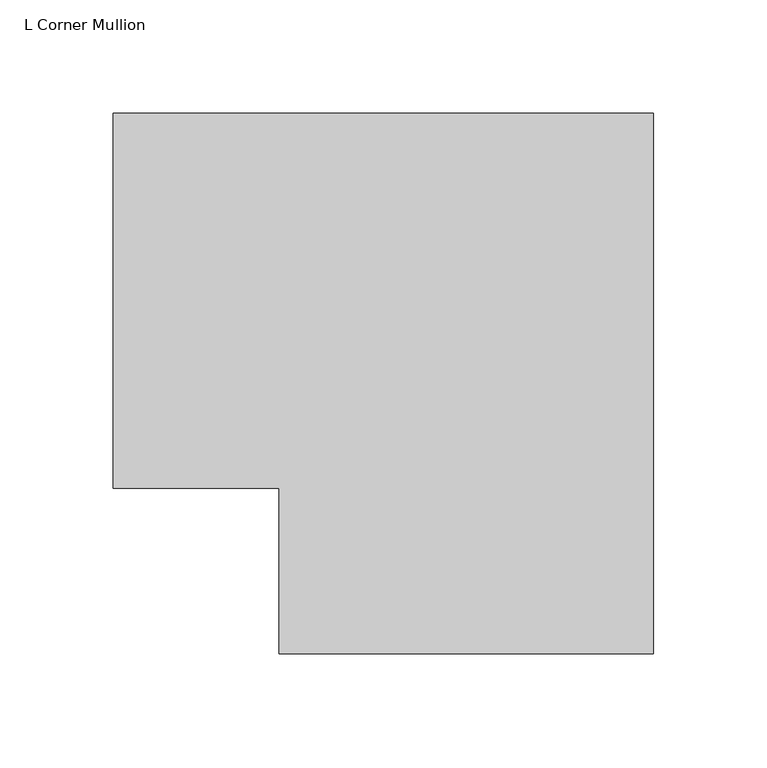
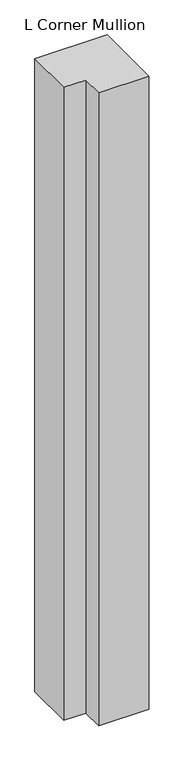
"""IFC4 building model written with IfcOpenShell, lengths in millimetres: member geometry, L Corner Mullion."""

from ifc_helpers import new_model, si_unit, frame, origin, place, context, project, spatial, polyline, outline, extrude, source, transform, mapped, element, save


def l_corner_mullion_1d61c029(model_context):
    return source(origin(), model_context, "Body", "SweptSolid", [
        extrude(outline(polyline([(-12.7, -85.725), (-12.7, -12.7), (-85.725, -12.7), (-85.725, 152.4), (152.4, 152.4), (152.4, -85.725), (-12.7, -85.725)])), frame((0.0, 0.0, -2209.3326946), z_axis=(0.0, 0.0, 1.0), x_axis=(1.0, 0.0, 0.0)), (0.0, 0.0, 1.0), 2209.3326946),
    ])


if __name__ == "__main__":
    model = new_model("IFC4")
    model_context = context("Model", 3, world=origin())
    ifc_project = project(units=[si_unit("LENGTHUNIT", "METRE", prefix="MILLI")], contexts=[model_context])
    site = spatial("IfcSite", under=ifc_project)
    building = spatial("IfcBuilding", under=site)
    placement = place(None, origin())
    l_corner_mullion_shape = l_corner_mullion_1d61c029(model_context)
    element("IfcMember", 1, ObjectType="L Corner Mullion", at=placement, inside=building, context=model_context, shape_type="MappedRepresentation", body=[
        mapped(l_corner_mullion_shape, transform((0.0, 0.0, 0.0), x_axis=(1.0, 0.0, 0.0), y_axis=(0.0, 1.0, 0.0), z_axis=(0.0, 0.0, 1.0))),
    ])
    save(model, "model.ifc")
